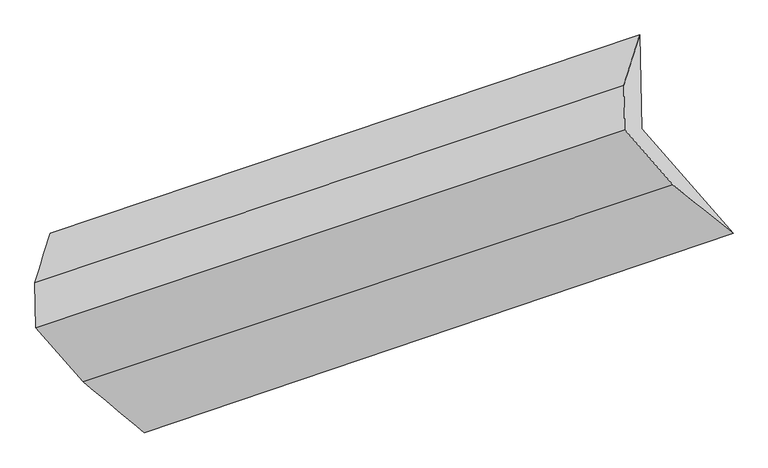
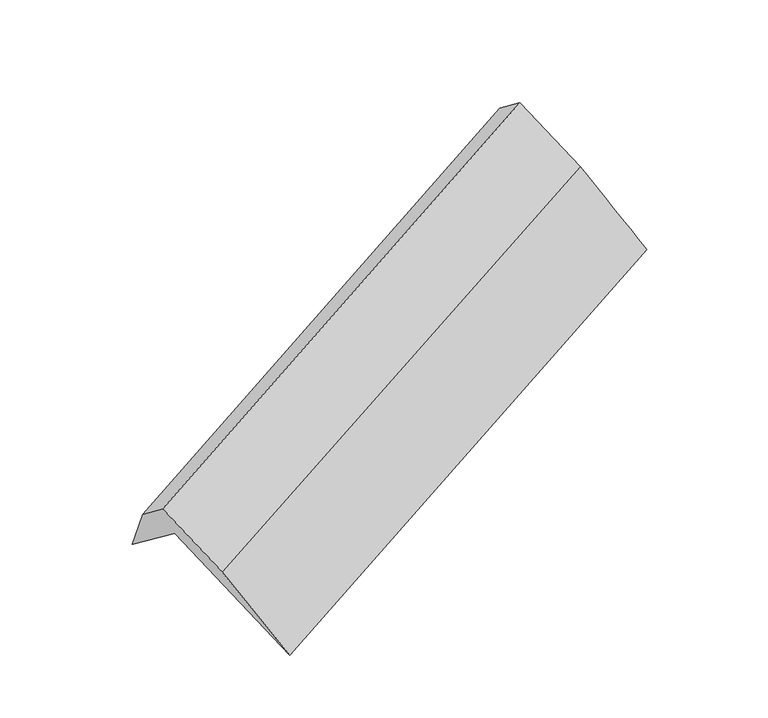
"""IFC4 building model written with IfcOpenShell, lengths in millimetres: proxy geometry."""

import ifcopenshell
import ifcopenshell.guid

model = None  # the IFC model being written
_history = None  # IfcOwnerHistory: only IFC2X3 demands one
_inside = {}  # id of a spatial element -> (the spatial element, [elements in it])
_under = {}  # id of a project, library or spatial element -> (it, [spatial elements below it])
_declared = {}  # id of a project -> (the project, [libraries it declares])
_typed = {}  # id of a type object -> (the type object, [elements of that type])
_made_of = {}  # id of a material, layer set ... -> (it, [elements and type objects made of it])


def new_model(schema):
    """Start an empty IFC model of exactly this schema.

    Asked for "IFC4X3", IfcOpenShell would pick the latest addendum, in which some entities
    have other attributes; the version numbers below select the first issue.
    IFC2X3 requires an IfcOwnerHistory on every rooted entity: one is made here for all.
    """
    global model, _history
    if schema == "IFC4X3":
        model = ifcopenshell.file(schema_version=(4, 3, 0, 0))
    else:
        model = ifcopenshell.file(schema=schema)
    _inside.clear()
    _under.clear()
    _declared.clear()
    _typed.clear()
    _made_of.clear()
    _history = None
    if model.schema == "IFC2X3":
        org = make("IfcOrganization", Name="unknown")
        user = make(
            "IfcPersonAndOrganization",
            ThePerson=make("IfcPerson", FamilyName="unknown"),
            TheOrganization=org,
        )
        app = make(
            "IfcApplication",
            ApplicationDeveloper=org,
            Version="unknown",
            ApplicationFullName="unknown",
            ApplicationIdentifier="unknown",
        )
        _history = make(
            "IfcOwnerHistory",
            OwningUser=user,
            OwningApplication=app,
            ChangeAction="ADDED",
            CreationDate=0,
        )
    return model


def make(cls, **values):
    """One entity of the class cls with the attributes given. An attribute that is None is left unset."""
    return model.create_entity(
        cls, **{name: value for name, value in values.items() if value is not None}
    )


def rooted(cls, **values):
    """An entity with a GlobalId (a new one), such as an element, a storey or a relation."""
    return make(cls, GlobalId=ifcopenshell.guid.new(), OwnerHistory=_history, **values)


def si_unit(unit_type, name, prefix=None):
    """IfcSIUnit, for example si_unit("LENGTHUNIT", "METRE", prefix="MILLI")."""
    return make("IfcSIUnit", UnitType=unit_type, Prefix=prefix, Name=name)


def assignment(units):
    """IfcUnitAssignment: the units of a project."""
    return None if units is None else make("IfcUnitAssignment", Units=units)


def point(xyz):
    """IfcCartesianPoint."""
    return None if xyz is None else make("IfcCartesianPoint", Coordinates=xyz)


def direction(xyz):
    """IfcDirection."""
    return None if xyz is None else make("IfcDirection", DirectionRatios=xyz)


def frame(location, z_axis=None, x_axis=None):
    """IfcAxis2Placement3D, a coordinate frame: its origin and axes. An axis left out is left unset."""
    return make(
        "IfcAxis2Placement3D",
        Location=point(location),
        Axis=direction(z_axis),
        RefDirection=direction(x_axis),
    )


def origin():
    """The frame at (0, 0, 0) with its axes left unset."""
    return frame((0.0, 0.0, 0.0))


def place(relative_to, where):
    """IfcLocalPlacement: puts the frame where relative to a parent placement (None: the world)."""
    return make(
        "IfcLocalPlacement", PlacementRelTo=relative_to, RelativePlacement=where
    )


def context(
    kind, dimensions, precision=None, world=None, true_north=None, identifier=None
):
    """IfcGeometricRepresentationContext, for example the 3D "Model" context."""
    return make(
        "IfcGeometricRepresentationContext",
        ContextIdentifier=identifier,
        ContextType=kind,
        CoordinateSpaceDimension=dimensions,
        Precision=precision,
        WorldCoordinateSystem=world,
        TrueNorth=true_north,
    )


def project(units=None, contexts=None):
    """IfcProject with its units and contexts."""
    return rooted(
        "IfcProject",
        Name="project",
        RepresentationContexts=contexts,
        UnitsInContext=assignment(units),
    )


def spatial(cls, under=None, at=None, **own):
    """A site, building, storey or space (cls), placed at a placement, below another one or the project."""
    s = rooted(cls, ObjectPlacement=at, **own)
    if under is not None:
        _under.setdefault(under.id(), (under, []))[1].append(s)
    return s


def shape(context_of_items, identifier, shape_type, items):
    """IfcShapeRepresentation: the items that make up one representation, for example the "Body"."""
    return make(
        "IfcShapeRepresentation",
        ContextOfItems=context_of_items,
        RepresentationIdentifier=identifier,
        RepresentationType=shape_type,
        Items=items,
    )


def source(mapping_origin, context_of_items, identifier, shape_type, items):
    """IfcRepresentationMap: a shape defined once, which mapped items show again and again."""
    return make(
        "IfcRepresentationMap",
        MappingOrigin=mapping_origin,
        MappedRepresentation=shape(context_of_items, identifier, shape_type, items),
    )


def transform(
    local_origin,
    x_axis=None,
    y_axis=None,
    z_axis=None,
    scale=None,
    scale2=None,
    scale3=None,
    uniform=True,
):
    """IfcCartesianTransformationOperator3D, or its non-uniform kind. x_axis, y_axis, z_axis: its Axis1, 2, 3."""
    if uniform:
        return make(
            "IfcCartesianTransformationOperator3D",
            Axis1=direction(x_axis),
            Axis2=direction(y_axis),
            LocalOrigin=point(local_origin),
            Scale=scale,
            Axis3=direction(z_axis),
        )
    return make(
        "IfcCartesianTransformationOperator3DnonUniform",
        Axis1=direction(x_axis),
        Axis2=direction(y_axis),
        LocalOrigin=point(local_origin),
        Scale=scale,
        Axis3=direction(z_axis),
        Scale2=scale2,
        Scale3=scale3,
    )


def mapped(mapping_source, mapping_target):
    """IfcMappedItem: shows the shape of a source again, moved by a transform."""
    return make(
        "IfcMappedItem", MappingSource=mapping_source, MappingTarget=mapping_target
    )


def made_of(thing, what):
    """Note that an element or type object is made of a material, layer set ...; save() writes the relation."""
    if what is not None:
        _made_of.setdefault(what.id(), (what, []))[1].append(thing)
    return thing


def element(
    cls,
    number,
    at=None,
    inside=None,
    cuts=None,
    type_object=None,
    material=None,
    context=None,
    identifier="Body",
    shape_type=None,
    held_by="IfcProductDefinitionShape",
    body=None,
    shapes=None,
    **own,
):
    """One element of the class cls, such as IfcWall. Its Tag is "e" and its number.

    at: its placement. inside: the storey or other place that contains it. cuts: it is an
    opening in that element (IfcRelVoidsElement). A single representation is given by context,
    identifier, shape_type and body (its items); several are given by shapes. held_by: the class
    of the entity that holds the representations. save() writes the other relations.
    """
    e = rooted(cls, Tag="e%d" % number, ObjectPlacement=at, **own)
    if body is not None:
        shapes = [shape(context, identifier, shape_type, body)]
    if shapes is not None:
        e.Representation = make(held_by, Representations=shapes)
    if inside is not None:
        _inside.setdefault(inside.id(), (inside, []))[1].append(e)
    if cuts is not None:
        rooted(
            "IfcRelVoidsElement", RelatingBuildingElement=cuts, RelatedOpeningElement=e
        )
    if type_object is not None:
        _typed.setdefault(type_object.id(), (type_object, []))[1].append(e)
    return made_of(e, material)


def aggregate(whole, parts):
    """IfcRelAggregates: a whole, such as a stair, and the parts it consists of."""
    return rooted("IfcRelAggregates", RelatingObject=whole, RelatedObjects=parts)


def save(model, path):
    """Write the relations noted so far, then the file.

    IfcRelAggregates (storeys below a building ...), IfcRelContainedInSpatialStructure (elements
    in a storey), IfcRelDefinesByType, IfcRelAssociatesMaterial and IfcRelDeclares: one each for
    every whole, place, type object, material and project.
    """
    for whole, parts in _under.values():
        aggregate(whole, parts)
    for where, things in _inside.values():
        rooted(
            "IfcRelContainedInSpatialStructure",
            RelatedElements=things,
            RelatingStructure=where,
        )
    for kind, things in _typed.values():
        rooted("IfcRelDefinesByType", RelatedObjects=things, RelatingType=kind)
    for what, things in _made_of.values():
        rooted("IfcRelAssociatesMaterial", RelatedObjects=things, RelatingMaterial=what)
    for by, libraries in _declared.values():
        rooted("IfcRelDeclares", RelatingContext=by, RelatedDefinitions=libraries)
    model.write(path)


def plane_surface(at):
    """IfcPlane: the flat surface through the origin of the frame at, square to its z axis."""
    return make("IfcPlane", Position=at)


def spline_surface(u_degree, v_degree, points, u_multiplicities, v_multiplicities, u_knots, v_knots, weights=None):
    """IfcBSplineSurfaceWithKnots; with weights, IfcRationalBSplineSurfaceWithKnots. points: one row for each step in u."""
    own = dict(
        UDegree=u_degree,
        VDegree=v_degree,
        ControlPointsList=[[point(p) for p in row] for row in points],
        SurfaceForm="UNSPECIFIED",
        UClosed=False,
        VClosed=False,
        SelfIntersect=False,
        UMultiplicities=u_multiplicities,
        VMultiplicities=v_multiplicities,
        UKnots=u_knots,
        VKnots=v_knots,
        KnotSpec="UNSPECIFIED",
    )
    if weights is None:
        return make("IfcBSplineSurfaceWithKnots", **own)
    return make("IfcRationalBSplineSurfaceWithKnots", WeightsData=weights, **own)


def advanced_brep(points, edges, surfaces, faces):
    """IfcAdvancedBrep: a solid bounded by faces that lie on surfaces and meet in shared edges.

    An edge is (start, end): straight between two places in points (the first is 0);
    or (start, end, curve); or (start, end, curve, False) where it runs against its curve.
    A face is (place in surfaces, loops), or (place, loops, False) where it looks against
    its surface's normal. A loop lists edges by number (the first is 1), with a minus sign
    where the edge is run from its end to its start. The first loop is the outer one.
    """
    corners = [point(p) for p in points]
    vertices = [make("IfcVertexPoint", VertexGeometry=c) for c in corners]
    made = []
    for start, end, *more in edges:
        made.append(
            make(
                "IfcEdgeCurve",
                EdgeStart=vertices[start],
                EdgeEnd=vertices[end],
                EdgeGeometry=more[0] if more else make("IfcPolyline", Points=[corners[start], corners[end]]),
                SameSense=more[1] if len(more) > 1 else True,
            )
        )
    hull = []
    for where, loops, *sense in faces:
        bounds = []
        for j, loop in enumerate(loops):
            ring = [make("IfcOrientedEdge", EdgeElement=made[abs(k) - 1], Orientation=k > 0) for k in loop]
            bounds.append(
                make(
                    "IfcFaceOuterBound" if j == 0 else "IfcFaceBound",
                    Bound=make("IfcEdgeLoop", EdgeList=ring),
                    Orientation=True,
                )
            )
        hull.append(make("IfcAdvancedFace", Bounds=bounds, FaceSurface=surfaces[where], SameSense=sense[0] if sense else True))
    return make("IfcAdvancedBrep", Outer=make("IfcClosedShell", CfsFaces=hull))


def generic_models_3e583971(model_context):
    return source(origin(), model_context, "Body", "AdvancedBrep", [
        advanced_brep(
        [(-4947.0427187, -2147.1073566, 1327.5411027), (-4959.8848051, -1515.0868698, 842.6335131), (-984.2972266, -178.1211294, 2479.9246504), (-971.4551402, -810.1416162, 2964.83224), (-5062.2260761, -1850.4781609, 1367.9386266), (-1091.1299116, -516.1167943, 3018.3843995), (-5056.1160929, -2151.1796546, 1598.6470285), (-1085.0199283, -816.818288, 3249.0928014), (-4735.6834269, -2518.161515, 1111.8427733), (-759.9346599, -1189.1286336, 2755.2202696), (-4325.188076, -2859.2987088, 382.8138063), (-354.2531, -1517.0044831, 2027.1732202)],
        [
            (0, 1),
            (1, 2),
            (2, 3),
            (3, 0),
            (1, 4),
            (4, 5),
            (5, 2),
            (4, 6),
            (6, 7),
            (7, 5),
            (6, 8),
            (8, 9),
            (9, 7),
            (8, 10),
            (10, 11),
            (11, 9),
            (10, 0),
            (3, 11),
        ],
        [
            plane_surface(frame((-4953.4637619, -1831.0971132, 1085.0873079), z_axis=(0.46918683912412606, -0.5315348405930014, -0.7052194149542993), x_axis=(-0.016118854312093454, 0.7932859050273766, -0.608635897249383))),
            spline_surface(1, 1, [[(-4959.8848051, -1515.0868698, 842.6335131), (-984.2972266, -178.1211294, 2479.9246504)], [(-5062.2260761, -1850.4781609, 1367.9386266), (-1091.1299116, -516.1167943, 3018.3843995)]], [2, 2], [2, 2], [0.0, 1.0], [0.0, 1.0]),
            plane_surface(frame((-5059.1710845, -2000.8289078, 1483.2928276), z_axis=(-0.47114661628987015, 0.5308740795641042, 0.7044100919248469), x_axis=(0.01611885431209339, -0.7932859050273776, 0.6086358972493817))),
            plane_surface(frame((-4895.8997599, -2334.6705848, 1355.2449009), z_axis=(0.014153213001192794, -0.7939381680400781, 0.6078337534975394), x_axis=(0.46526025495704015, -0.5328485265494047, -0.706827661393807))),
            spline_surface(1, 1, [[(-4735.6834269, -2518.161515, 1111.8427733), (-759.9346599, -1189.1286336, 2755.2202696)], [(-4325.188076, -2859.2987088, 382.8138063), (-354.2531, -1517.0044831, 2027.1732202)]], [2, 2], [2, 2], [0.0, 1.0], [0.0, 1.0]),
            plane_surface(frame((-4636.1153973, -2503.2030327, 855.1774545), z_axis=(-0.01611885431209306, 0.7932859050273771, -0.6086358972493826), x_axis=(-0.46526025495704315, 0.5328485265493988, 0.7068276613938096))),
            plane_surface(frame((-874.3483278, -837.8884908, 2749.1045968), z_axis=(0.885027162121578, 0.2945673448279969, 0.3604954946570212), x_axis=(0.45296243009891446, -0.36608871651067565, -0.8128985721247469))),
            plane_surface(frame((-4847.6901993, -2173.5520443, 1105.2361418), z_axis=(-0.8850271621215781, -0.2945673448280354, -0.36049549465698955), x_axis=(0.4652602549570415, -0.5328485265493991, -0.7068276613938106))),
        ],
        [
            (0, [[1, 2, 3, 4]]),
            (1, [[5, 6, 7, -2]]),
            (2, [[8, 9, 10, -6]]),
            (3, [[11, 12, 13, -9]]),
            (4, [[14, 15, 16, -12]]),
            (5, [[17, -4, 18, -15]]),
            (6, [[-16, -18, -3, -7, -10, -13]]),
            (7, [[-17, -14, -11, -8, -5, -1]]),
        ],
    ),
    ])


if __name__ == "__main__":
    model = new_model("IFC4")
    model_context = context("Model", 3, world=origin())
    ifc_project = project(units=[si_unit("LENGTHUNIT", "METRE", prefix="MILLI")], contexts=[model_context])
    site = spatial("IfcSite", under=ifc_project)
    building = spatial("IfcBuilding", under=site)
    placement = place(None, origin())
    generic_models_shape = generic_models_3e583971(model_context)
    element("IfcBuildingElementProxy", 1, Name="Generic Models", at=placement, inside=building, context=model_context, shape_type="MappedRepresentation", body=[
        mapped(generic_models_shape, transform((0.0, 0.0, 0.0), x_axis=(1.0, 0.0, 0.0), y_axis=(0.0, 1.0, 0.0), z_axis=(0.0, 0.0, 1.0))),
    ])
    save(model, "model.ifc")
